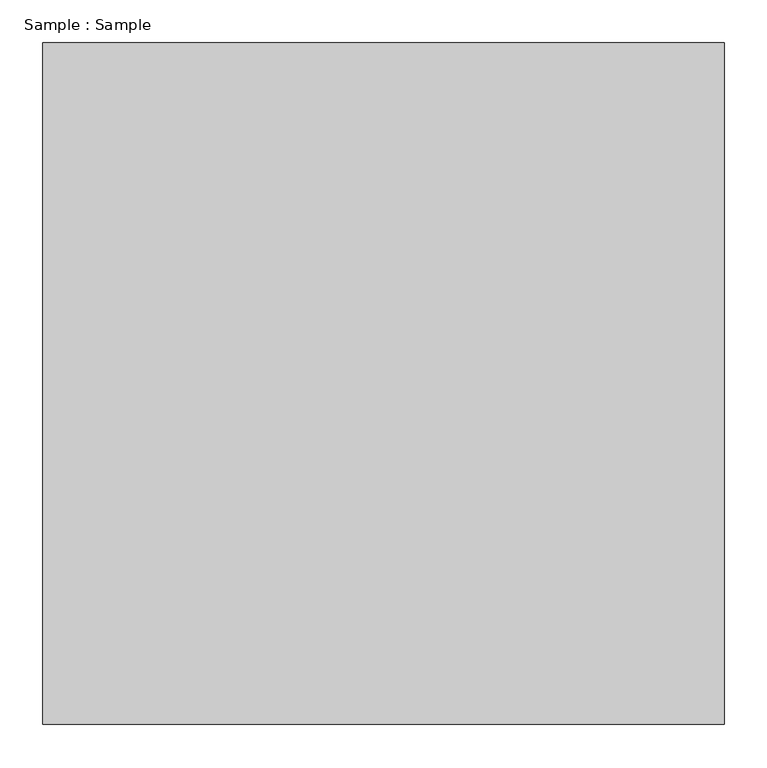
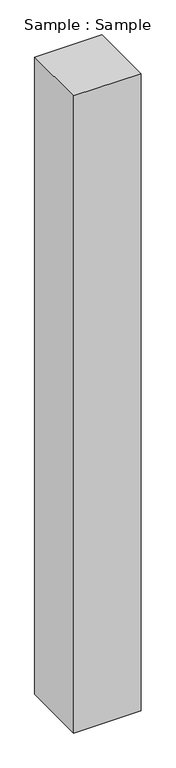
"""IFC4 building model written with IfcOpenShell, lengths in millimetres: proxy geometry, Sample : Sample."""

from ifc_helpers import new_model, si_unit, origin, origin_with_axes, place, context, project, spatial, polyline, outline, extrude, source, transform, mapped, element, save


def sample_sample_d893a783(model_context):
    return source(origin(), model_context, "Body", "SweptSolid", [
        extrude(outline(polyline([(400.0, 400.0), (400.0, -400.0), (-400.0, -400.0), (-400.0, 400.0), (400.0, 400.0)])), origin_with_axes(), (0.0, 0.0, 1.0), 8000.0),
    ])


if __name__ == "__main__":
    model = new_model("IFC4")
    model_context = context("Model", 3, world=origin())
    ifc_project = project(units=[si_unit("LENGTHUNIT", "METRE", prefix="MILLI")], contexts=[model_context])
    site = spatial("IfcSite", under=ifc_project)
    building = spatial("IfcBuilding", under=site)
    placement = place(None, origin())
    sample_sample_shape = sample_sample_d893a783(model_context)
    element("IfcBuildingElementProxy", 1, Name="Sample : Sample", ObjectType="Sample : Sample", at=placement, inside=building, context=model_context, shape_type="MappedRepresentation", body=[
        mapped(sample_sample_shape, transform((0.0, 0.0, 0.0), x_axis=(1.0, 0.0, 0.0), y_axis=(0.0, 1.0, 0.0), z_axis=(0.0, 0.0, 1.0))),
    ])
    save(model, "model.ifc")
